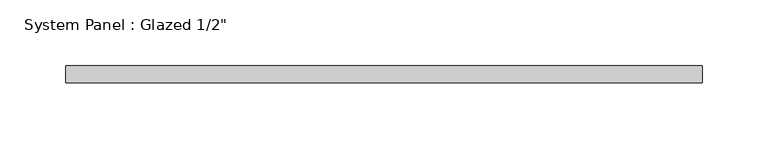
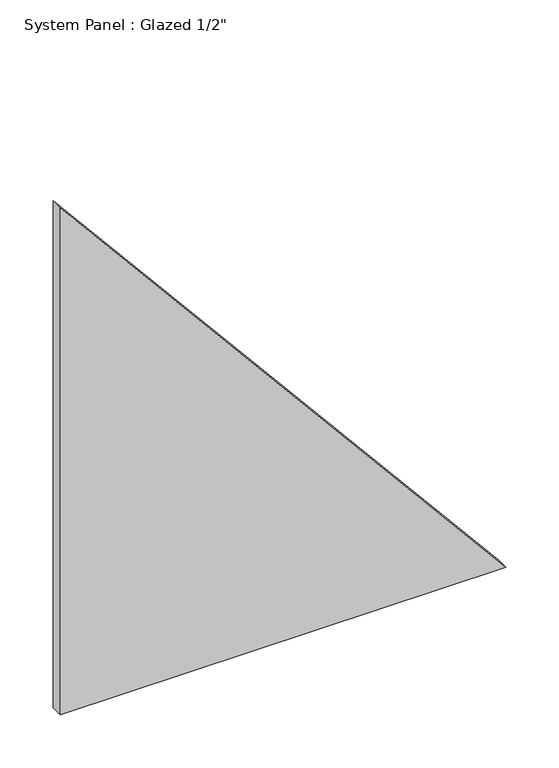
"""IFC4 building model written with IfcOpenShell, lengths in millimetres: plate geometry."""

from ifc_helpers import new_model, si_unit, frame, origin, place, context, project, spatial, polyline, outline, extrude, source, transform, mapped, element, save


def plate_99dc043a(model_context):
    return source(origin(), model_context, "Body", "SweptSolid", [
        extrude(outline(polyline([(0.0, -241.5570441), (0.0, 241.5570441), (580.6308724, -241.5570441), (0.0, -241.5570441)])), frame((0.0, -6.35, 0.0), z_axis=(0.0, 1.0, 0.0), x_axis=(0.0, 0.0, 1.0)), (0.0, 0.0, 1.0), 12.7),
    ])


if __name__ == "__main__":
    model = new_model("IFC4")
    model_context = context("Model", 3, world=origin())
    ifc_project = project(units=[si_unit("LENGTHUNIT", "METRE", prefix="MILLI")], contexts=[model_context])
    site = spatial("IfcSite", under=ifc_project)
    building = spatial("IfcBuilding", under=site)
    placement = place(None, origin())
    plate_shape = plate_99dc043a(model_context)
    element("IfcPlate", 1, ObjectType="System Panel : Glazed 1/2\"", at=placement, inside=building, context=model_context, shape_type="MappedRepresentation", body=[
        mapped(plate_shape, transform((0.0, 0.0, 0.0), x_axis=(1.0, 0.0, 0.0), y_axis=(0.0, 1.0, 0.0), z_axis=(0.0, 0.0, 1.0))),
    ])
    save(model, "model.ifc")
